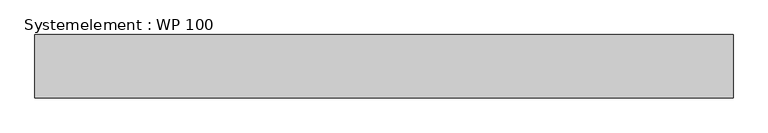
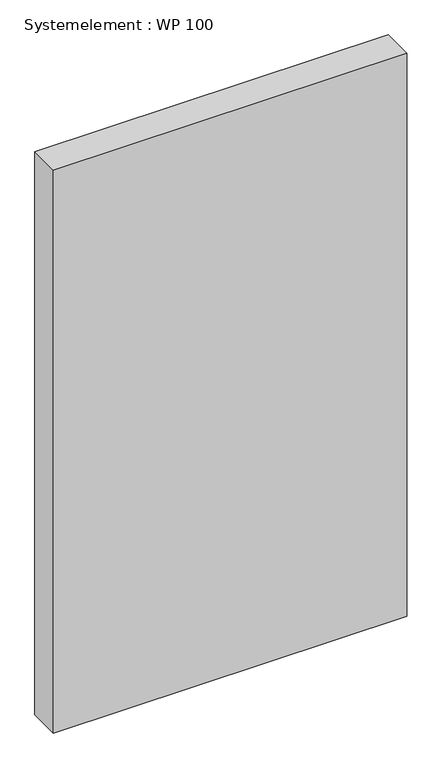
"""IFC4 building model written with IfcOpenShell, lengths in millimetres: plate geometry, Systemelement : WP 100."""

from ifc_helpers import new_model, si_unit, origin, origin_with_axes, place, context, project, spatial, polyline, outline, extrude, source, transform, mapped, element, save


def systemelement_wp_100_c0a1543e(model_context):
    return source(origin(), model_context, "Body", "SweptSolid", [
        extrude(outline(polyline([(550.0, -100.0), (-550.0, -100.0), (-550.0, 0.0), (550.0, 0.0), (550.0, -100.0)])), origin_with_axes(), (0.0, 0.0, 1.0), 1851.6147161),
    ])


if __name__ == "__main__":
    model = new_model("IFC4")
    model_context = context("Model", 3, world=origin())
    ifc_project = project(units=[si_unit("LENGTHUNIT", "METRE", prefix="MILLI")], contexts=[model_context])
    site = spatial("IfcSite", under=ifc_project)
    building = spatial("IfcBuilding", under=site)
    placement = place(None, origin())
    systemelement_wp_100_shape = systemelement_wp_100_c0a1543e(model_context)
    element("IfcPlate", 1, ObjectType="Systemelement : WP 100", at=placement, inside=building, context=model_context, shape_type="MappedRepresentation", body=[
        mapped(systemelement_wp_100_shape, transform((0.0, 0.0, 0.0), x_axis=(1.0, 0.0, 0.0), y_axis=(0.0, 1.0, 0.0), z_axis=(0.0, 0.0, 1.0))),
    ])
    save(model, "model.ifc")
